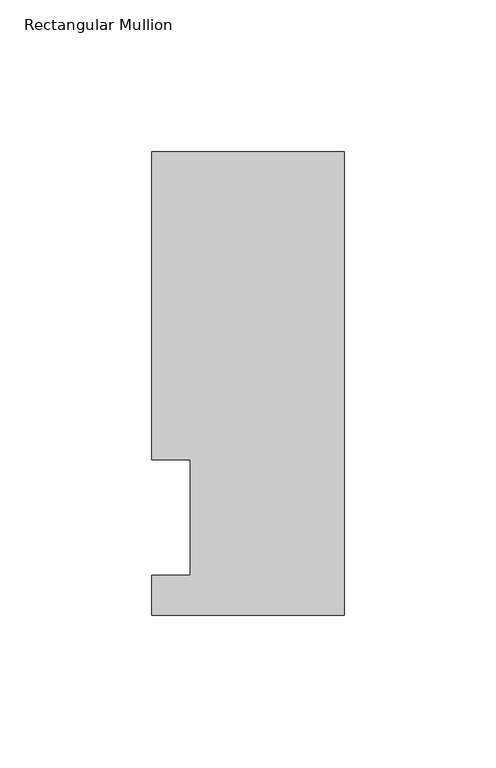
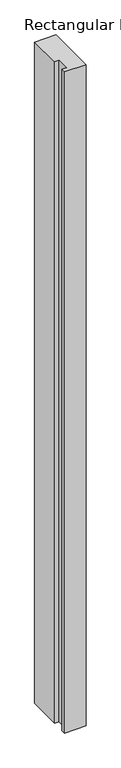
"""IFC4 building model written with IfcOpenShell, lengths in millimetres: member geometry, Rectangular Mullion."""

from ifc_helpers import new_model, si_unit, frame, origin, place, context, project, spatial, polyline, outline, extrude, source, transform, mapped, element, save


def rectangular_mullion_bb665cf6(model_context):
    return source(origin(), model_context, "Body", "SweptSolid", [
        extrude(outline(polyline([(-19.0627, 51.2960937), (-31.75, 51.2960938), (-31.75, 152.8960937), (31.75, 152.8960937), (31.75, 0.0134938), (-31.75, 0.0134938), (-31.75, 13.1960937), (-19.0627, 13.1960937), (-19.0627, 51.2960937)])), frame((0.0, 0.0, -2057.4), z_axis=(0.0, 0.0, 1.0), x_axis=(1.0, 0.0, 0.0)), (0.0, 0.0, 1.0), 2057.4),
    ])


if __name__ == "__main__":
    model = new_model("IFC4")
    model_context = context("Model", 3, world=origin())
    ifc_project = project(units=[si_unit("LENGTHUNIT", "METRE", prefix="MILLI")], contexts=[model_context])
    site = spatial("IfcSite", under=ifc_project)
    building = spatial("IfcBuilding", under=site)
    placement = place(None, origin())
    rectangular_mullion_shape = rectangular_mullion_bb665cf6(model_context)
    element("IfcMember", 1, ObjectType="Rectangular Mullion", at=placement, inside=building, context=model_context, shape_type="MappedRepresentation", body=[
        mapped(rectangular_mullion_shape, transform((0.0, 0.0, 0.0), x_axis=(1.0, 0.0, 0.0), y_axis=(0.0, 1.0, 0.0), z_axis=(0.0, 0.0, 1.0))),
    ])
    save(model, "model.ifc")
